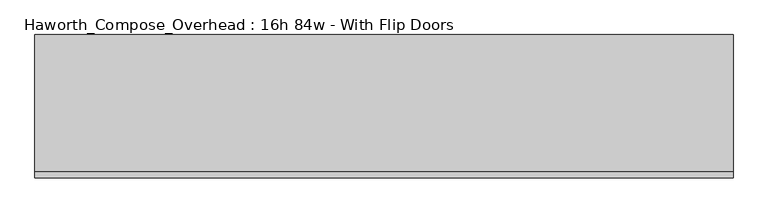
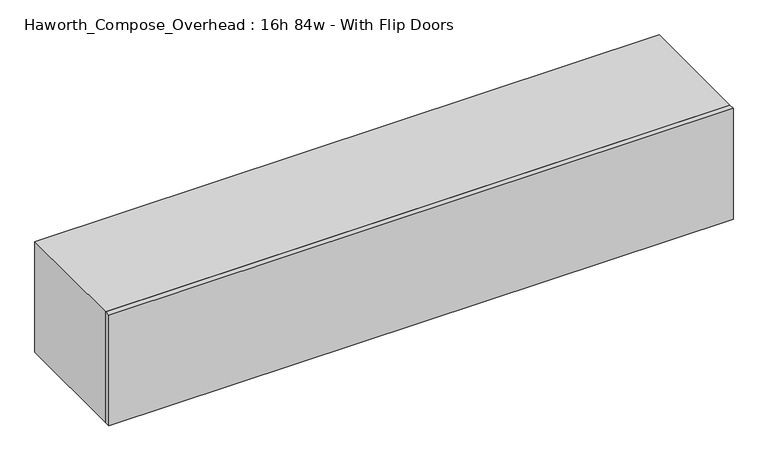
"""IFC4 building model written with IfcOpenShell, lengths in millimetres: furniture geometry, Haworth_Compose_Overhead : 16h 84w - With Flip Doors."""

from ifc_helpers import new_model, si_unit, frame, origin, place, context, project, spatial, polyline, outline, extrude, source, transform, mapped, element, save


def haworth_compose_overhead_16h_84w_with_flip_doors_0593a08a(model_context):
    return source(origin(), model_context, "Body", "SweptSolid", [
        extrude(outline(polyline([(1231.9, -438.15), (-901.7, -438.15), (-901.7, -419.1), (1231.9, -419.1), (1231.9, -438.15)])), frame((0.0, 0.0, 1270.0), z_axis=(0.0, 0.0, 1.0), x_axis=(1.0, 0.0, 0.0)), (0.0, 0.0, 1.0), 400.05),
        extrude(outline(polyline([(1206.5, -6.35), (-876.3, -6.35), (-876.3, 0.0), (1206.5, 0.0), (1206.5, -6.35)])), frame((0.0, 0.0, 1295.4), z_axis=(0.0, 0.0, 1.0), x_axis=(1.0, 0.0, 0.0)), (0.0, 0.0, 1.0), 349.25),
        extrude(outline(polyline([(1270.0, 1231.9), (1670.05, 1231.9), (1670.05, -901.7), (1270.0, -901.7), (1270.0, 1231.9)]), holes=[polyline([(1644.65, 1206.5), (1295.4, 1206.5), (1295.4, -876.3), (1644.65, -876.3), (1644.65, 1206.5)])]), frame((0.0, -419.1, 0.0), z_axis=(0.0, 1.0, 0.0), x_axis=(0.0, 0.0, 1.0)), (0.0, 0.0, 1.0), 419.1),
    ])


if __name__ == "__main__":
    model = new_model("IFC4")
    model_context = context("Model", 3, world=origin())
    ifc_project = project(units=[si_unit("LENGTHUNIT", "METRE", prefix="MILLI")], contexts=[model_context])
    site = spatial("IfcSite", under=ifc_project)
    building = spatial("IfcBuilding", under=site)
    placement = place(None, origin())
    haworth_compose_overhead_16h_84w_with_flip_doors_shape = haworth_compose_overhead_16h_84w_with_flip_doors_0593a08a(model_context)
    element("IfcFurniture", 1, ObjectType="Haworth_Compose_Overhead : 16h 84w - With Flip Doors", at=placement, inside=building, context=model_context, shape_type="MappedRepresentation", body=[
        mapped(haworth_compose_overhead_16h_84w_with_flip_doors_shape, transform((0.0, 0.0, 0.0), x_axis=(1.0, 0.0, 0.0), y_axis=(0.0, 1.0, 0.0), z_axis=(0.0, 0.0, 1.0))),
    ])
    save(model, "model.ifc")
